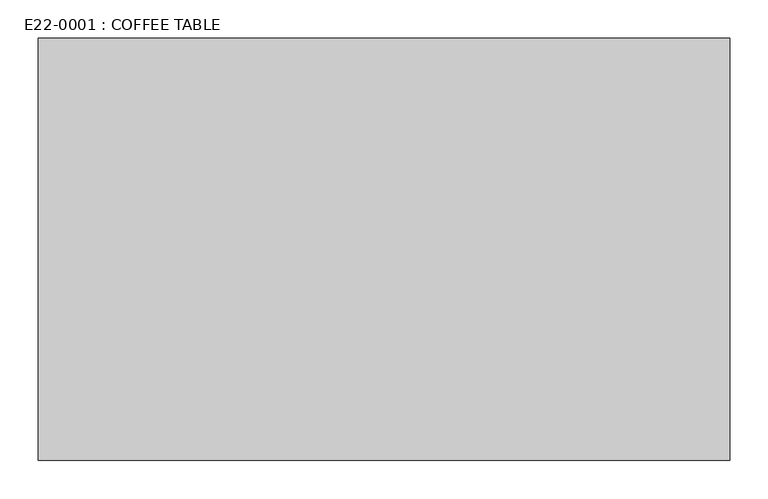
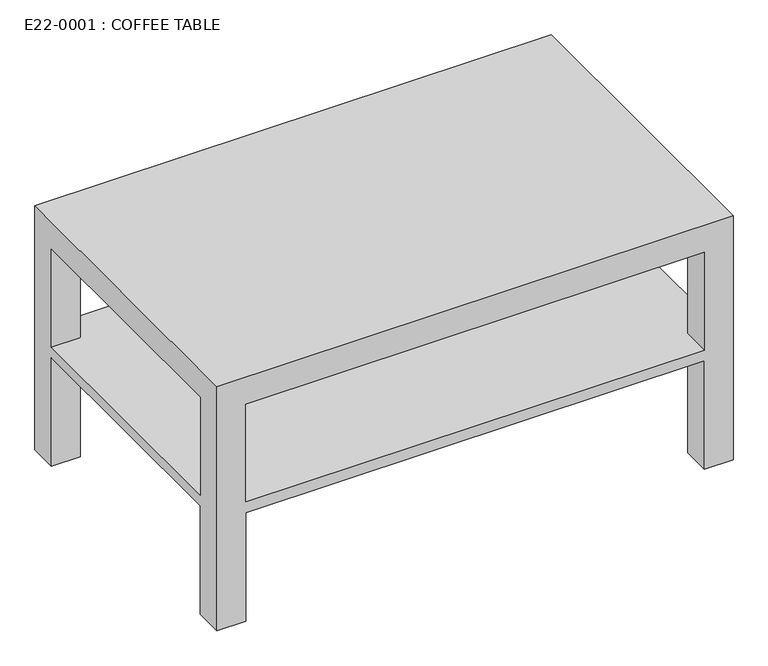
"""IFC4 building model written with IfcOpenShell, lengths in millimetres: proxy geometry, E22-0001 : COFFEE TABLE."""

from ifc_helpers import new_model, si_unit, origin, place, context, project, spatial, faceted_brep, source, transform, mapped, element, save


def e22_0001_coffee_table_0716ba58(model_context):
    return source(origin(), model_context, "Body", "Brep", [
        faceted_brep([(-540.8052885, -275.0, 200.0), (-540.8052885, -225.0, 200.0), (-590.8052885, -225.0, 200.0), (-590.8052885, 225.0, 200.0), (-540.8052885, 225.0, 200.0), (-540.8052885, 275.0, 200.0), (259.1947115, 275.0, 200.0), (259.1947115, 225.0, 200.0), (309.1947115, 225.0, 200.0), (309.1947115, -225.0, 200.0), (259.1947115, -225.0, 200.0), (259.1947115, -275.0, 200.0), (-540.8052885, -225.0, 220.0), (-540.8052885, -275.0, 220.0), (259.1947115, -275.0, 220.0), (259.1947115, -225.0, 220.0), (309.1947115, -225.0, 220.0), (309.1947115, 225.0, 220.0), (259.1947115, 225.0, 220.0), (259.1947115, 275.0, 220.0), (-540.8052885, 275.0, 220.0), (-540.8052885, 225.0, 220.0), (-590.8052885, 225.0, 220.0), (-590.8052885, -225.0, 220.0), (-540.8052885, -225.0, 400.0), (-540.8052885, -275.0, 400.0), (-590.8052885, -225.0, 400.0), (-590.8052885, 225.0, 0.0), (-540.8052885, 225.0, 0.0), (-540.8052885, 225.0, 400.0), (-590.8052885, 225.0, 400.0), (-540.8052885, 275.0, 400.0), (259.1947115, 225.0, 400.0), (259.1947115, 275.0, 400.0), (309.1947115, 225.0, 400.0), (259.1947115, -225.0, 0.0), (259.1947115, -275.0, 0.0), (309.1947115, -275.0, 0.0), (309.1947115, -275.0, 450.0), (-590.8052885, -275.0, 450.0), (-590.8052885, -275.0, 0.0), (-540.8052885, -275.0, 0.0), (259.1947115, -275.0, 400.0), (309.1947115, 225.0, 0.0), (309.1947115, 275.0, 0.0), (309.1947115, 275.0, 450.0), (309.1947115, -225.0, 0.0), (309.1947115, -225.0, 400.0), (259.1947115, 275.0, 0.0), (259.1947115, 225.0, 0.0), (259.1947115, -225.0, 400.0), (-540.8052885, 275.0, 0.0), (-590.8052885, 275.0, 0.0), (-590.8052885, 275.0, 450.0), (-540.8052885, -225.0, 0.0), (-590.8052885, -225.0, 0.0)], [[[0, 1, 2, 3, 4, 5, 6, 7, 8, 9, 10, 11]], [[12, 13, 14, 15, 16, 17, 18, 19, 20, 21, 22, 23]], [[13, 12, 24, 25]], [[12, 23, 26, 24]], [[4, 3, 27, 28]], [[22, 21, 29, 30]], [[21, 20, 31, 29]], [[19, 18, 32, 33]], [[18, 17, 34, 32]], [[11, 10, 35, 36]], [[0, 11, 36, 37, 38, 39, 40, 41], [13, 25, 42, 14]], [[8, 43, 44, 45, 38, 37, 46, 9], [17, 16, 47, 34]], [[10, 9, 46, 35]], [[7, 6, 48, 49]], [[8, 7, 49, 43]], [[44, 43, 49, 48]], [[15, 14, 42, 50]], [[16, 15, 50, 47]], [[46, 37, 36, 35]], [[5, 51, 52, 53, 45, 44, 48, 6], [20, 19, 33, 31]], [[42, 25, 24, 26, 30, 29, 31, 33, 32, 34, 47, 50]], [[5, 4, 28, 51]], [[27, 52, 51, 28]], [[1, 0, 41, 54]], [[2, 1, 54, 55]], [[40, 55, 54, 41]], [[2, 55, 40, 39, 53, 52, 27, 3], [23, 22, 30, 26]], [[45, 53, 39, 38]]]),
    ])


if __name__ == "__main__":
    model = new_model("IFC4")
    model_context = context("Model", 3, world=origin())
    ifc_project = project(units=[si_unit("LENGTHUNIT", "METRE", prefix="MILLI")], contexts=[model_context])
    site = spatial("IfcSite", under=ifc_project)
    building = spatial("IfcBuilding", under=site)
    placement = place(None, origin())
    e22_0001_coffee_table_shape = e22_0001_coffee_table_0716ba58(model_context)
    element("IfcBuildingElementProxy", 1, Name="E22-0001 : COFFEE TABLE", ObjectType="E22-0001 : COFFEE TABLE", at=placement, inside=building, context=model_context, shape_type="MappedRepresentation", body=[
        mapped(e22_0001_coffee_table_shape, transform((0.0, 0.0, 0.0), x_axis=(1.0, 0.0, 0.0), y_axis=(0.0, 1.0, 0.0), z_axis=(0.0, 0.0, 1.0))),
    ])
    save(model, "model.ifc")
